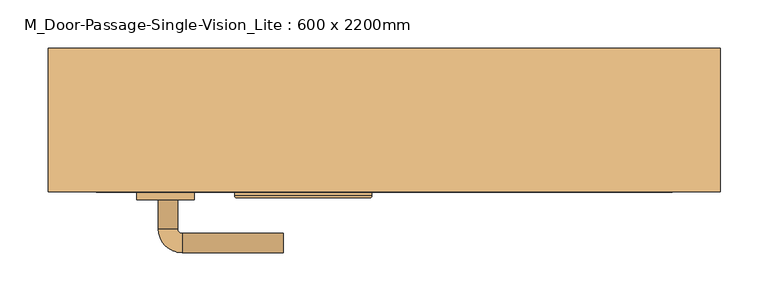
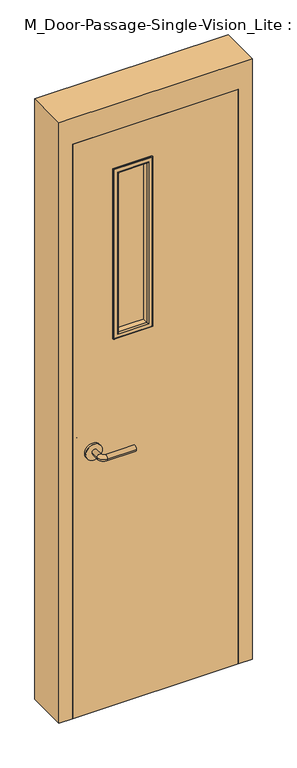
"""IFC4 building model written with IfcOpenShell, lengths in millimetres: door geometry, M_Door-Passage-Single-Vision_Lite : 600 x 2200mm."""

from ifc_helpers import new_model, si_unit, point, frame, frame_2d, origin, place, context, project, spatial, polyline, circle_curve, ellipse_curve, trimmed, segment, composite_curve, outline, extrude, faceted_brep, source, transform, mapped, element, save
from ifc_brep_helpers import plane_surface, cylinder_surface, revolved_surface, advanced_brep


def m_door_passage_single_vision_lite_600_x_2200mm_96ae28c9(model_context):
    return source(origin(), model_context, "Body", "SolidModel", [
        advanced_brep(
        [(-234.990625, -40.85, 1000.0), (-214.990625, -40.85, 1000.0), (-234.990625, -10.85, 1000.0), (-214.990625, -10.85, 1000.0), (-209.990625, -5.85, 1000.0), (-209.990625, 14.15, 1000.0), (-104.990625, 14.15, 1000.0), (-104.990625, -5.85, 1000.0)],
        [
            (0, 1, circle_curve(frame((-224.990625, -40.85, 1000.0), z_axis=(0.0, -1.0, 0.0), x_axis=(1.0, 0.0, 0.0)), 10.0)),
            (1, 0, circle_curve(frame((-224.990625, -40.85, 1000.0), z_axis=(0.0, -1.0, 0.0), x_axis=(1.0, 0.0, 0.0)), 10.0)),
            (0, 2),
            (2, 3, circle_curve(frame((-224.990625, -10.85, 1000.0), z_axis=(0.0, -1.0, 0.0), x_axis=(1.0, 0.0, 0.0)), 10.0)),
            (3, 1),
            (3, 2, circle_curve(frame((-224.990625, -10.85, 1000.0), z_axis=(0.0, -1.0, 0.0), x_axis=(1.0, 0.0, 0.0)), 10.0)),
            (4, 3, circle_curve(frame((-209.990625, -10.85, 1000.0), z_axis=(0.0, 0.0, 1.0), x_axis=(-1.0, 0.0, 0.0)), 5.0)),
            (2, 5, circle_curve(frame((-209.990625, -10.85, 1000.0), z_axis=(0.0, 0.0, -1.0), x_axis=(-1.0, 0.0, 0.0)), 25.0)),
            (5, 4, circle_curve(frame((-209.990625, 4.15, 1000.0), z_axis=(-1.0, 0.0, 0.0), x_axis=(0.0, -1.0, 0.0)), 10.0)),
            (4, 5, circle_curve(frame((-209.990625, 4.15, 1000.0), z_axis=(-1.0, 0.0, 0.0), x_axis=(0.0, -1.0, 0.0)), 10.0)),
            (6, 7, circle_curve(frame((-104.990625, 4.15, 1000.0), z_axis=(1.0, 0.0, 0.0), x_axis=(0.0, -1.0, 0.0)), 10.0)),
            (7, 6, circle_curve(frame((-104.990625, 4.15, 1000.0), z_axis=(1.0, 0.0, 0.0), x_axis=(0.0, -1.0, 0.0)), 10.0)),
            (5, 6),
            (7, 4),
        ],
        [
            plane_surface(frame((-224.990625, -40.85, 1000.0), z_axis=(0.0, -1.0, 0.0), x_axis=(0.0, 0.0, 1.0))),
            cylinder_surface(frame((-224.990625, -40.85, 1000.0), z_axis=(0.0, -1.0, 0.0), x_axis=(1.0, 0.0, 0.0)), 10.0),
            revolved_surface(trimmed(ellipse_curve(frame((-224.990625, -10.85, 1000.0), z_axis=(0.0, -1.0, 0.0), x_axis=(1.0, 0.0, 0.0)), 10.0, 10.0), [point((-234.990625, -10.85, 1000.0))], [point((-214.990625, -10.85, 1000.0))], True, "CARTESIAN"), (-209.990625, -10.85, 1000.0), (0.0, 0.0, -1.0)),
            revolved_surface(trimmed(ellipse_curve(frame((-224.990625, -10.85, 1000.0), z_axis=(0.0, -1.0, 0.0), x_axis=(1.0, 0.0, 0.0)), 10.0, 10.0), [point((-214.990625, -10.85, 1000.0))], [point((-234.990625, -10.85, 1000.0))], True, "CARTESIAN"), (-209.990625, -10.85, 1000.0), (0.0, 0.0, -1.0)),
            plane_surface(frame((-104.990625, 4.15, 1000.0), z_axis=(1.0, 0.0, 0.0), x_axis=(0.0, 0.0, 1.0))),
            cylinder_surface(frame((-209.990625, 4.15, 1000.0), z_axis=(-1.0, 0.0, 0.0), x_axis=(0.0, -1.0, 0.0)), 10.0),
        ],
        [
            (0, [[1, 2]]),
            (1, [[-1, 3, 4, 5]]),
            (1, [[-2, -5, 6, -3]]),
            (2, [[7, -4, 8, 9]]),
            (3, [[-8, -6, -7, 10]]),
            (4, [[11, 12]]),
            (5, [[-9, 13, -12, 14]]),
            (5, [[-10, -14, -11, -13]]),
        ],
    ),
        extrude(outline(composite_curve([segment(trimmed(circle_curve(frame_2d((1000.0, -227.490625)), 30.0), [point((1000.0, -257.490625))], [point((1000.0, -197.490625))], False, "CARTESIAN"), True, "CONTINUOUS"), segment(trimmed(circle_curve(frame_2d((1000.0, -227.490625)), 30.0), [point((1000.0, -197.490625))], [point((1000.0, -257.490625))], False, "CARTESIAN"), True, "CONTINUOUS")], self_intersect=False)), frame((0.0, -48.85, 0.0), z_axis=(0.0, 1.0, 0.0), x_axis=(0.0, 0.0, 1.0)), (0.0, 0.0, 1.0), 8.0),
        advanced_brep(
        [(-234.990625, -101.85, 1000.0), (-214.990625, -101.85, 1000.0), (-214.990625, -131.85, 1000.0), (-234.990625, -131.85, 1000.0), (-209.990625, -136.85, 1000.0), (-209.990625, -156.85, 1000.0), (-104.990625, -156.85, 1000.0), (-104.990625, -136.85, 1000.0)],
        [
            (0, 1, circle_curve(frame((-224.990625, -101.85, 1000.0), z_axis=(0.0, 1.0, 0.0), x_axis=(1.0, 0.0, 0.0)), 10.0)),
            (1, 0, circle_curve(frame((-224.990625, -101.85, 1000.0), z_axis=(0.0, 1.0, 0.0), x_axis=(1.0, 0.0, 0.0)), 10.0)),
            (1, 2),
            (2, 3, circle_curve(frame((-224.990625, -131.85, 1000.0), z_axis=(0.0, 1.0, 0.0), x_axis=(1.0, 0.0, 0.0)), 10.0)),
            (3, 0),
            (3, 2, circle_curve(frame((-224.990625, -131.85, 1000.0), z_axis=(0.0, 1.0, 0.0), x_axis=(1.0, 0.0, 0.0)), 10.0)),
            (4, 5, circle_curve(frame((-209.990625, -146.85, 1000.0), z_axis=(-1.0, 0.0, 0.0), x_axis=(0.0, 1.0, 0.0)), 10.0)),
            (5, 3, circle_curve(frame((-209.990625, -131.85, 1000.0), z_axis=(0.0, 0.0, -1.0), x_axis=(-1.0, 0.0, 0.0)), 25.0)),
            (2, 4, circle_curve(frame((-209.990625, -131.85, 1000.0), z_axis=(0.0, 0.0, 1.0), x_axis=(-1.0, 0.0, 0.0)), 5.0)),
            (5, 4, circle_curve(frame((-209.990625, -146.85, 1000.0), z_axis=(-1.0, 0.0, 0.0), x_axis=(0.0, 1.0, 0.0)), 10.0)),
            (6, 7, circle_curve(frame((-104.990625, -146.85, 1000.0), z_axis=(1.0, 0.0, 0.0), x_axis=(0.0, 1.0, 0.0)), 10.0)),
            (7, 6, circle_curve(frame((-104.990625, -146.85, 1000.0), z_axis=(1.0, 0.0, 0.0), x_axis=(0.0, 1.0, 0.0)), 10.0)),
            (4, 7),
            (6, 5),
        ],
        [
            plane_surface(frame((-224.990625, -101.85, 1000.0), z_axis=(0.0, 1.0, 0.0), x_axis=(0.0, 0.0, 1.0))),
            cylinder_surface(frame((-224.990625, -101.85, 1000.0), z_axis=(0.0, 1.0, 0.0), x_axis=(1.0, 0.0, 0.0)), 10.0),
            revolved_surface(trimmed(ellipse_curve(frame((-224.990625, -131.85, 1000.0), z_axis=(0.0, -1.0, 0.0), x_axis=(1.0, 0.0, 0.0)), 10.0, 10.0), [point((-234.990625, -131.85, 1000.0))], [point((-214.990625, -131.85, 1000.0))], True, "CARTESIAN"), (-209.990625, -131.85, 1000.0), (0.0, 0.0, -1.0)),
            revolved_surface(trimmed(ellipse_curve(frame((-224.990625, -131.85, 1000.0), z_axis=(0.0, -1.0, 0.0), x_axis=(1.0, 0.0, 0.0)), 10.0, 10.0), [point((-214.990625, -131.85, 1000.0))], [point((-234.990625, -131.85, 1000.0))], True, "CARTESIAN"), (-209.990625, -131.85, 1000.0), (0.0, 0.0, -1.0)),
            plane_surface(frame((-104.990625, -146.85, 1000.0), z_axis=(1.0, 0.0, 0.0), x_axis=(0.0, 0.0, 1.0))),
            cylinder_surface(frame((-209.990625, -146.85, 1000.0), z_axis=(-1.0, 0.0, 0.0), x_axis=(0.0, 1.0, 0.0)), 10.0),
        ],
        [
            (0, [[1, 2]]),
            (1, [[3, 4, 5, -2]]),
            (1, [[-5, 6, -3, -1]]),
            (2, [[7, 8, -4, 9]]),
            (3, [[10, -9, -6, -8]]),
            (4, [[11, 12]]),
            (5, [[13, -11, 14, -7]]),
            (5, [[-14, -12, -13, -10]]),
        ],
    ),
        extrude(outline(composite_curve([segment(trimmed(circle_curve(frame_2d((1000.0, -227.490625)), 30.0), [point((1000.0, -257.490625))], [point((1000.0, -197.490625))], False, "CARTESIAN"), True, "CONTINUOUS"), segment(trimmed(circle_curve(frame_2d((1000.0, -227.490625)), 30.0), [point((1000.0, -197.490625))], [point((1000.0, -257.490625))], False, "CARTESIAN"), True, "CONTINUOUS")], self_intersect=False)), frame((0.0, -101.85, 0.0), z_axis=(0.0, 1.0, 0.0), x_axis=(0.0, 0.0, 1.0)), (0.0, 0.0, 1.0), 8.0),
        faceted_brep([(300.0, -44.0875, 0.0), (284.125, -44.0875, 0.0), (284.125, 6.9375, 0.0), (300.0, 6.9375, 0.0), (300.0, 56.15, 0.0), (350.0, 56.15, 0.0), (350.0, -93.85, 0.0), (300.0, -93.85, 0.0), (300.0, -93.85, 2200.0), (300.0, -44.0875, 2200.0), (350.0, -93.85, 2300.0), (-350.0, -93.85, 2300.0), (-350.0, -93.85, 0.0), (-300.0, -93.85, 0.0), (-300.0, -93.85, 2200.0), (350.0, 56.15, 2300.0), (300.0, 56.15, 2200.0), (-300.0, 56.15, 2200.0), (-300.0, 56.15, 0.0), (-350.0, 56.15, 0.0), (-350.0, 56.15, 2300.0), (300.0, 6.9375, 2200.0), (284.125, 6.9375, 2184.125), (-284.125, 6.9375, 2184.125), (-284.125, 6.9375, 0.0), (-300.0, 6.9375, 0.0), (-300.0, 6.9375, 2200.0), (284.125, -44.0875, 2184.125), (-300.0, -44.0875, 2200.0), (-300.0, -44.0875, 0.0), (-284.125, -44.0875, 0.0), (-284.125, -44.0875, 2184.125)], [[[0, 1, 2, 3, 4, 5, 6, 7]], [[7, 8, 9, 0]], [[6, 10, 11, 12, 13, 14, 8, 7]], [[5, 15, 10, 6]], [[4, 16, 17, 18, 19, 20, 15, 5]], [[3, 21, 16, 4]], [[2, 22, 23, 24, 25, 26, 21, 3]], [[1, 27, 22, 2]], [[0, 9, 28, 29, 30, 31, 27, 1]], [[8, 14, 28, 9]], [[16, 21, 26, 17]], [[22, 27, 31, 23]], [[12, 19, 18, 25, 24, 30, 29, 13]], [[13, 29, 28, 14]], [[11, 20, 19, 12]], [[17, 26, 25, 18]], [[23, 31, 30, 24]], [[15, 20, 11, 10]]]),
        extrude(outline(polyline([(2200.0, -300.0), (0.0, -300.0), (0.0, 300.0), (2200.0, 300.0), (2200.0, -300.0)]), holes=[polyline([(2047.6, -147.6), (2047.6, -20.6), (1412.6, -20.6), (1412.6, -147.6), (2047.6, -147.6)])]), frame((0.0, -93.85, 0.0), z_axis=(0.0, 1.0, 0.0), x_axis=(0.0, 0.0, 1.0)), (0.0, 0.0, 1.0), 45.0),
        extrude(outline(polyline([(-20.6, -68.85), (-20.6, -73.85), (-147.6, -73.85), (-147.6, -68.85), (-20.6, -68.85)])), frame((0.0, 0.0, 1412.6), z_axis=(0.0, 0.0, 1.0), x_axis=(1.0, 0.0, 0.0)), (0.0, 0.0, 1.0), 635.0),
        advanced_brep(
        [(-147.6, -68.85, 1412.6), (-147.6, -68.85, 2047.6), (-147.6, -48.85, 2047.6), (-147.6, -48.85, 1412.6), (-135.6, -47.85, 1424.6), (-135.6, -47.85, 2035.6), (-135.6, -68.85, 2035.6), (-135.6, -68.85, 1424.6), (-140.6, -42.85, 1419.6), (-140.6, -42.85, 2040.6), (-155.6, -44.85, 1404.6), (-155.6, -44.85, 2055.6), (-153.6, -42.85, 2053.6), (-153.6, -42.85, 1406.6), (-155.6, -48.85, 1404.6), (-155.6, -48.85, 2055.6), (-20.6, -68.85, 2047.6), (-20.6, -48.85, 2047.6), (-32.6, -47.85, 2035.6), (-32.6, -68.85, 2035.6), (-27.6, -42.85, 2040.6), (-12.6, -44.85, 2055.6), (-14.6, -42.85, 2053.6), (-12.6, -48.85, 2055.6), (-20.6, -68.85, 1412.6), (-20.6, -48.85, 1412.6), (-32.6, -47.85, 1424.6), (-32.6, -68.85, 1424.6), (-27.6, -42.85, 1419.6), (-12.6, -44.85, 1404.6), (-14.6, -42.85, 1406.6), (-12.6, -48.85, 1404.6)],
        [
            (0, 1),
            (1, 2),
            (2, 3),
            (3, 0),
            (4, 5),
            (5, 6),
            (6, 7),
            (7, 4),
            (8, 9),
            (9, 5, ellipse_curve(frame((-140.6, -47.85, 2040.6), z_axis=(-0.7071067811865475, 0.0, -0.7071067811865475), x_axis=(0.7071067811865474, 0.0, -0.7071067811865476)), 7.0710678, 5.0)),
            (4, 8, ellipse_curve(frame((-140.6, -47.85, 1419.6), z_axis=(-0.7071067811865475, 0.0, 0.7071067811865475), x_axis=(-0.7071067811865474, 0.0, -0.7071067811865476)), 7.0710678, 5.0)),
            (10, 11),
            (11, 12, ellipse_curve(frame((-153.6, -44.85, 2053.6), z_axis=(-0.7071067811865475, 0.0, -0.7071067811865475), x_axis=(0.7071067811865474, 0.0, -0.7071067811865476)), 2.8284271, 2.0)),
            (12, 13),
            (13, 10, ellipse_curve(frame((-153.6, -44.85, 1406.6), z_axis=(-0.7071067811865475, 0.0, 0.7071067811865475), x_axis=(-0.7071067811865474, 0.0, -0.7071067811865476)), 2.8284271, 2.0)),
            (14, 15),
            (15, 11),
            (10, 14),
            (1, 16),
            (16, 17),
            (17, 2),
            (5, 18),
            (18, 19),
            (19, 6),
            (9, 20),
            (20, 18, ellipse_curve(frame((-27.6, -47.85, 2040.6), z_axis=(-0.7071067811865475, 0.0, 0.7071067811865475), x_axis=(-0.7071067811865476, 0.0, -0.7071067811865474)), 7.0710678, 5.0)),
            (11, 21),
            (21, 22, ellipse_curve(frame((-14.6, -44.85, 2053.6), z_axis=(-0.7071067811865475, 0.0, 0.7071067811865475), x_axis=(-0.7071067811865476, 0.0, -0.7071067811865474)), 2.8284271, 2.0)),
            (22, 12),
            (15, 23),
            (23, 21),
            (16, 24),
            (24, 25),
            (25, 17),
            (18, 26),
            (26, 27),
            (27, 19),
            (20, 28),
            (28, 26, ellipse_curve(frame((-27.6, -47.85, 1419.6), z_axis=(0.7071067811865475, 0.0, 0.7071067811865475), x_axis=(-0.7071067811865474, 0.0, 0.7071067811865476)), 7.0710678, 5.0)),
            (21, 29),
            (29, 30, ellipse_curve(frame((-14.6, -44.85, 1406.6), z_axis=(0.7071067811865475, 0.0, 0.7071067811865475), x_axis=(-0.7071067811865474, 0.0, 0.7071067811865476)), 2.8284271, 2.0)),
            (30, 22),
            (23, 31),
            (31, 29),
            (14, 31),
            (25, 3),
            (24, 0),
            (27, 7),
            (26, 4),
            (28, 8),
            (30, 13),
            (29, 10),
        ],
        [
            plane_surface(frame((-147.6, -48.85, 1412.6), z_axis=(-1.0, 0.0, 0.0), x_axis=(0.0, 0.0, 1.0))),
            plane_surface(frame((-135.6, -68.85, 1424.6), z_axis=(1.0, 0.0, 0.0), x_axis=(0.0, 0.0, 1.0))),
            cylinder_surface(frame((-140.6, -47.85, 1412.6), z_axis=(0.0, 0.0, -1.0), x_axis=(-1.0, 0.0, 0.0)), 5.0),
            cylinder_surface(frame((-153.6, -44.85, 1412.6), z_axis=(0.0, 0.0, -1.0), x_axis=(-1.0, 0.0, 0.0)), 2.0),
            plane_surface(frame((-155.6, -44.85, 1404.6), z_axis=(-1.0, 0.0, 0.0), x_axis=(0.0, 0.0, 1.0))),
            plane_surface(frame((-147.6, -48.85, 2047.6), z_axis=(0.0, 0.0, 1.0), x_axis=(1.0, 0.0, 0.0))),
            plane_surface(frame((-135.6, -68.85, 2035.6), z_axis=(0.0, 0.0, -1.0), x_axis=(1.0, 0.0, 0.0))),
            cylinder_surface(frame((-147.6, -47.85, 2040.6), z_axis=(-1.0, 0.0, 0.0), x_axis=(0.0, 0.0, 1.0)), 5.0),
            cylinder_surface(frame((-147.6, -44.85, 2053.6), z_axis=(-1.0, 0.0, 0.0), x_axis=(0.0, 0.0, 1.0)), 2.0),
            plane_surface(frame((-155.6, -44.85, 2055.6), z_axis=(0.0, 0.0, 1.0), x_axis=(1.0, 0.0, 0.0))),
            plane_surface(frame((-20.6, -48.85, 2047.6), z_axis=(1.0, 0.0, 0.0), x_axis=(0.0, 0.0, -1.0))),
            plane_surface(frame((-32.6, -68.85, 2035.6), z_axis=(-1.0, 0.0, 0.0), x_axis=(0.0, 0.0, -1.0))),
            cylinder_surface(frame((-27.6, -47.85, 2047.6), z_axis=(0.0, 0.0, 1.0), x_axis=(1.0, 0.0, 0.0)), 5.0),
            cylinder_surface(frame((-14.6, -44.85, 2047.6), z_axis=(0.0, 0.0, 1.0), x_axis=(1.0, 0.0, 0.0)), 2.0),
            plane_surface(frame((-12.6, -44.85, 2055.6), z_axis=(1.0, 0.0, 0.0), x_axis=(0.0, 0.0, -1.0))),
            plane_surface(frame((-12.6, -48.85, 1404.6), z_axis=(0.0, -1.0, 0.0), x_axis=(-1.0, 0.0, 0.0))),
            plane_surface(frame((-20.6, -48.85, 1412.6), z_axis=(0.0, 0.0, -1.0), x_axis=(-1.0, 0.0, 0.0))),
            plane_surface(frame((-20.6, -68.85, 1412.6), z_axis=(0.0, -1.0, 0.0), x_axis=(-1.0, 0.0, 0.0))),
            plane_surface(frame((-32.6, -68.85, 1424.6), z_axis=(0.0, 0.0, 1.0), x_axis=(-1.0, 0.0, 0.0))),
            cylinder_surface(frame((-20.6, -47.85, 1419.6), z_axis=(1.0, 0.0, 0.0), x_axis=(0.0, 0.0, -1.0)), 5.0),
            plane_surface(frame((-27.6, -42.85, 1419.6), z_axis=(0.0, 1.0, 0.0), x_axis=(-1.0, 0.0, 0.0))),
            cylinder_surface(frame((-20.6, -44.85, 1406.6), z_axis=(1.0, 0.0, 0.0), x_axis=(0.0, 0.0, -1.0)), 2.0),
            plane_surface(frame((-12.6, -44.85, 1404.6), z_axis=(0.0, 0.0, -1.0), x_axis=(-1.0, 0.0, 0.0))),
        ],
        [
            (0, [[1, 2, 3, 4]]),
            (1, [[5, 6, 7, 8]]),
            (2, [[9, 10, -5, 11]]),
            (3, [[12, 13, 14, 15]]),
            (4, [[16, 17, -12, 18]]),
            (5, [[19, 20, 21, -2]]),
            (6, [[22, 23, 24, -6]]),
            (7, [[25, 26, -22, -10]]),
            (8, [[27, 28, 29, -13]]),
            (9, [[30, 31, -27, -17]]),
            (10, [[32, 33, 34, -20]]),
            (11, [[35, 36, 37, -23]]),
            (12, [[38, 39, -35, -26]]),
            (13, [[40, 41, 42, -28]]),
            (14, [[43, 44, -40, -31]]),
            (15, [[-16, 45, -43, -30], [-3, -21, -34, 46]]),
            (16, [[47, -4, -46, -33]]),
            (17, [[-1, -47, -32, -19], [-7, -24, -37, 48]]),
            (18, [[49, -8, -48, -36]]),
            (19, [[50, -11, -49, -39]]),
            (20, [[-14, -29, -42, 51], [-9, -50, -38, -25]]),
            (21, [[52, -15, -51, -41]]),
            (22, [[-45, -18, -52, -44]]),
        ],
    ),
        advanced_brep(
        [(-147.6, -73.85, 2047.6), (-147.6, -73.85, 1412.6), (-147.6, -93.85, 1412.6), (-147.6, -93.85, 2047.6), (-135.6, -94.85, 2035.6), (-135.6, -94.85, 1424.6), (-135.6, -73.85, 1424.6), (-135.6, -73.85, 2035.6), (-140.6, -99.85, 2040.6), (-140.6, -99.85, 1419.6), (-155.6, -97.85, 2055.6), (-155.6, -97.85, 1404.6), (-153.6, -99.85, 1406.6), (-153.6, -99.85, 2053.6), (-155.6, -93.85, 2055.6), (-155.6, -93.85, 1404.6), (-20.6, -73.85, 1412.6), (-20.6, -93.85, 1412.6), (-32.6, -94.85, 1424.6), (-32.6, -73.85, 1424.6), (-27.6, -99.85, 1419.6), (-12.6, -97.85, 1404.6), (-14.6, -99.85, 1406.6), (-12.6, -93.85, 1404.6), (-20.6, -73.85, 2047.6), (-20.6, -93.85, 2047.6), (-32.6, -94.85, 2035.6), (-32.6, -73.85, 2035.6), (-27.6, -99.85, 2040.6), (-12.6, -97.85, 2055.6), (-14.6, -99.85, 2053.6), (-12.6, -93.85, 2055.6)],
        [
            (0, 1),
            (1, 2),
            (2, 3),
            (3, 0),
            (4, 5),
            (5, 6),
            (6, 7),
            (7, 4),
            (8, 9),
            (9, 5, ellipse_curve(frame((-140.6, -94.85, 1419.6), z_axis=(-0.7071067811865475, 0.0, 0.7071067811865475), x_axis=(0.7071067811865474, 0.0, 0.7071067811865476)), 7.0710678, 5.0)),
            (4, 8, ellipse_curve(frame((-140.6, -94.85, 2040.6), z_axis=(-0.7071067811865475, 0.0, -0.7071067811865475), x_axis=(-0.7071067811865474, 0.0, 0.7071067811865476)), 7.0710678, 5.0)),
            (10, 11),
            (11, 12, ellipse_curve(frame((-153.6, -97.85, 1406.6), z_axis=(-0.7071067811865475, 0.0, 0.7071067811865475), x_axis=(0.7071067811865474, 0.0, 0.7071067811865476)), 2.8284271, 2.0)),
            (12, 13),
            (13, 10, ellipse_curve(frame((-153.6, -97.85, 2053.6), z_axis=(-0.7071067811865475, 0.0, -0.7071067811865475), x_axis=(-0.7071067811865474, 0.0, 0.7071067811865476)), 2.8284271, 2.0)),
            (14, 15),
            (15, 11),
            (10, 14),
            (1, 16),
            (16, 17),
            (17, 2),
            (5, 18),
            (18, 19),
            (19, 6),
            (9, 20),
            (20, 18, ellipse_curve(frame((-27.6, -94.85, 1419.6), z_axis=(-0.7071067811865475, 0.0, -0.7071067811865475), x_axis=(-0.7071067811865476, 0.0, 0.7071067811865474)), 7.0710678, 5.0)),
            (11, 21),
            (21, 22, ellipse_curve(frame((-14.6, -97.85, 1406.6), z_axis=(-0.7071067811865475, 0.0, -0.7071067811865475), x_axis=(-0.7071067811865476, 0.0, 0.7071067811865474)), 2.8284271, 2.0)),
            (22, 12),
            (15, 23),
            (23, 21),
            (16, 24),
            (24, 25),
            (25, 17),
            (18, 26),
            (26, 27),
            (27, 19),
            (20, 28),
            (28, 26, ellipse_curve(frame((-27.6, -94.85, 2040.6), z_axis=(0.7071067811865475, 0.0, -0.7071067811865475), x_axis=(-0.7071067811865474, 0.0, -0.7071067811865476)), 7.0710678, 5.0)),
            (21, 29),
            (29, 30, ellipse_curve(frame((-14.6, -97.85, 2053.6), z_axis=(0.7071067811865475, 0.0, -0.7071067811865475), x_axis=(-0.7071067811865474, 0.0, -0.7071067811865476)), 2.8284271, 2.0)),
            (30, 22),
            (23, 31),
            (31, 29),
            (14, 31),
            (25, 3),
            (24, 0),
            (27, 7),
            (26, 4),
            (28, 8),
            (30, 13),
            (29, 10),
        ],
        [
            plane_surface(frame((-147.6, -93.85, 2047.6), z_axis=(-1.0, 0.0, 0.0), x_axis=(0.0, 0.0, -1.0))),
            plane_surface(frame((-135.6, -73.85, 2035.6), z_axis=(1.0, 0.0, 0.0), x_axis=(0.0, 0.0, -1.0))),
            cylinder_surface(frame((-140.6, -94.85, 2047.6), z_axis=(0.0, 0.0, 1.0), x_axis=(-1.0, 0.0, 0.0)), 5.0),
            cylinder_surface(frame((-153.6, -97.85, 2047.6), z_axis=(0.0, 0.0, 1.0), x_axis=(-1.0, 0.0, 0.0)), 2.0),
            plane_surface(frame((-155.6, -97.85, 2055.6), z_axis=(-1.0, 0.0, 0.0), x_axis=(0.0, 0.0, -1.0))),
            plane_surface(frame((-147.6, -93.85, 1412.6), z_axis=(0.0, 0.0, -1.0), x_axis=(1.0, 0.0, 0.0))),
            plane_surface(frame((-135.6, -73.85, 1424.6), z_axis=(0.0, 0.0, 1.0), x_axis=(1.0, 0.0, 0.0))),
            cylinder_surface(frame((-147.6, -94.85, 1419.6), z_axis=(-1.0, 0.0, 0.0), x_axis=(0.0, 0.0, -1.0)), 5.0),
            cylinder_surface(frame((-147.6, -97.85, 1406.6), z_axis=(-1.0, 0.0, 0.0), x_axis=(0.0, 0.0, -1.0)), 2.0),
            plane_surface(frame((-155.6, -97.85, 1404.6), z_axis=(0.0, 0.0, -1.0), x_axis=(1.0, 0.0, 0.0))),
            plane_surface(frame((-20.6, -93.85, 1412.6), z_axis=(1.0, 0.0, 0.0), x_axis=(0.0, 0.0, 1.0))),
            plane_surface(frame((-32.6, -73.85, 1424.6), z_axis=(-1.0, 0.0, 0.0), x_axis=(0.0, 0.0, 1.0))),
            cylinder_surface(frame((-27.6, -94.85, 1412.6), z_axis=(0.0, 0.0, -1.0), x_axis=(1.0, 0.0, 0.0)), 5.0),
            cylinder_surface(frame((-14.6, -97.85, 1412.6), z_axis=(0.0, 0.0, -1.0), x_axis=(1.0, 0.0, 0.0)), 2.0),
            plane_surface(frame((-12.6, -97.85, 1404.6), z_axis=(1.0, 0.0, 0.0), x_axis=(0.0, 0.0, 1.0))),
            plane_surface(frame((-12.6, -93.85, 2055.6), z_axis=(0.0, 1.0, 0.0), x_axis=(-1.0, 0.0, 0.0))),
            plane_surface(frame((-20.6, -93.85, 2047.6), z_axis=(0.0, 0.0, 1.0), x_axis=(-1.0, 0.0, 0.0))),
            plane_surface(frame((-20.6, -73.85, 2047.6), z_axis=(0.0, 1.0, 0.0), x_axis=(-1.0, 0.0, 0.0))),
            plane_surface(frame((-32.6, -73.85, 2035.6), z_axis=(0.0, 0.0, -1.0), x_axis=(-1.0, 0.0, 0.0))),
            cylinder_surface(frame((-20.6, -94.85, 2040.6), z_axis=(1.0, 0.0, 0.0), x_axis=(0.0, 0.0, 1.0)), 5.0),
            plane_surface(frame((-27.6, -99.85, 2040.6), z_axis=(0.0, -1.0, 0.0), x_axis=(-1.0, 0.0, 0.0))),
            cylinder_surface(frame((-20.6, -97.85, 2053.6), z_axis=(1.0, 0.0, 0.0), x_axis=(0.0, 0.0, 1.0)), 2.0),
            plane_surface(frame((-12.6, -97.85, 2055.6), z_axis=(0.0, 0.0, 1.0), x_axis=(-1.0, 0.0, 0.0))),
        ],
        [
            (0, [[1, 2, 3, 4]]),
            (1, [[5, 6, 7, 8]]),
            (2, [[9, 10, -5, 11]]),
            (3, [[12, 13, 14, 15]]),
            (4, [[16, 17, -12, 18]]),
            (5, [[19, 20, 21, -2]]),
            (6, [[22, 23, 24, -6]]),
            (7, [[25, 26, -22, -10]]),
            (8, [[27, 28, 29, -13]]),
            (9, [[30, 31, -27, -17]]),
            (10, [[32, 33, 34, -20]]),
            (11, [[35, 36, 37, -23]]),
            (12, [[38, 39, -35, -26]]),
            (13, [[40, 41, 42, -28]]),
            (14, [[43, 44, -40, -31]]),
            (15, [[-16, 45, -43, -30], [-3, -21, -34, 46]]),
            (16, [[47, -4, -46, -33]]),
            (17, [[-1, -47, -32, -19], [-7, -24, -37, 48]]),
            (18, [[49, -8, -48, -36]]),
            (19, [[50, -11, -49, -39]]),
            (20, [[-14, -29, -42, 51], [-9, -50, -38, -25]]),
            (21, [[52, -15, -51, -41]]),
            (22, [[-45, -18, -52, -44]]),
        ],
    ),
    ])


if __name__ == "__main__":
    model = new_model("IFC4")
    model_context = context("Model", 3, world=origin())
    ifc_project = project(units=[si_unit("LENGTHUNIT", "METRE", prefix="MILLI")], contexts=[model_context])
    site = spatial("IfcSite", under=ifc_project)
    building = spatial("IfcBuilding", under=site)
    placement = place(None, origin())
    m_door_passage_single_vision_lite_600_x_2200mm_shape = m_door_passage_single_vision_lite_600_x_2200mm_96ae28c9(model_context)
    element("IfcDoor", 1, ObjectType="M_Door-Passage-Single-Vision_Lite : 600 x 2200mm", at=placement, inside=building, context=model_context, shape_type="MappedRepresentation", body=[
        mapped(m_door_passage_single_vision_lite_600_x_2200mm_shape, transform((0.0, 0.0, 0.0), x_axis=(1.0, 0.0, 0.0), y_axis=(0.0, 1.0, 0.0), z_axis=(0.0, 0.0, 1.0))),
    ])
    save(model, "model.ifc")
